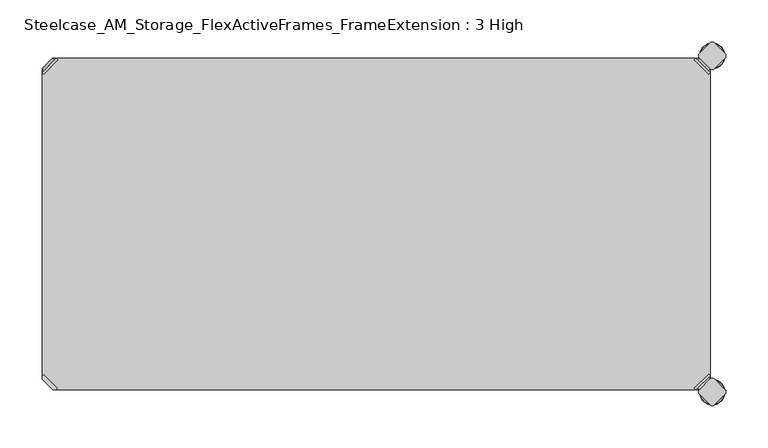
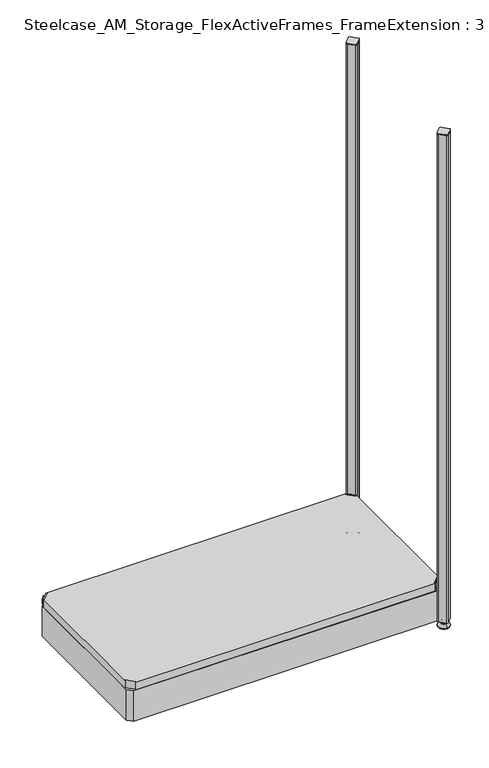
"""IFC4 building model written with IfcOpenShell, lengths in millimetres: furniture geometry, Steelcase_AM_Storage_FlexActiveFrames_FrameExtension : 3 High."""

from ifc_helpers import new_model, si_unit, point, frame, frame_2d, origin, place, context, project, spatial, polyline, circle_curve, ellipse_curve, trimmed, segment, composite_curve, outline, extrude, source, transform, mapped, element, save
from ifc_brep_helpers import plane_surface, cylinder_surface, revolved_surface, advanced_brep


def steelcase_am_storage_flexactiveframes_frameextension_3_high_37c5fc12(model_context):
    return source(origin(), model_context, "Body", "SolidModel", [
        advanced_brep(
        [(797.56, -380.2870969, 118.9736), (795.7639488, -378.4910456, 118.9736), (778.5410456, -395.7139488, 118.9736), (780.3370969, -397.51, 118.9736), (780.3370969, -397.51, 97.6376), (797.56, -380.2870969, 97.6376), (795.2347277, -382.6123691, 108.8136), (782.6623691, -395.1847277, 108.8136), (769.8079478, -352.5350447, 98.6536), (752.5850447, -369.7579478, 98.6536), (778.5410456, -395.7139488, 98.6536), (795.7639488, -378.4910456, 98.6536), (769.8079478, -352.5350447, 97.6376), (752.5850447, -369.7579478, 97.6376), (784.9772487, -397.4996073, 108.8136), (797.5496073, -384.9272487, 108.8136)],
        [
            (0, 1),
            (1, 2),
            (2, 3),
            (3, 0),
            (3, 4),
            (4, 5),
            (5, 0),
            (6, 7, circle_curve(frame((788.9485484, -388.8985484, 108.8136), z_axis=(-0.7071067811865446, 0.7071067811865505, 0.0), x_axis=(0.7071067811865505, 0.7071067811865446, 0.0)), 8.89)),
            (7, 6, circle_curve(frame((788.9485484, -388.8985484, 108.8136), z_axis=(-0.7071067811865446, 0.7071067811865505, 0.0), x_axis=(0.7071067811865505, 0.7071067811865446, 0.0)), 8.89)),
            (8, 9, circle_curve(frame((761.1964963, -361.1464963, 98.6536), z_axis=(0.0, 0.0, 1.0), x_axis=(-1.0, 0.0, 0.0)), 12.1784316)),
            (9, 10),
            (10, 11),
            (11, 8),
            (12, 5),
            (4, 13),
            (13, 12, circle_curve(frame((761.1964963, -361.1464963, 97.6376), z_axis=(0.0, 0.0, -1.0), x_axis=(-1.0, 0.0, 0.0)), 12.1784316)),
            (14, 15, circle_curve(frame((791.263428, -391.213428, 108.8136), z_axis=(0.7071067811865446, -0.7071067811865505, 0.0), x_axis=(0.7071067811865505, 0.7071067811865446, 0.0)), 8.89)),
            (15, 14, circle_curve(frame((791.263428, -391.213428, 108.8136), z_axis=(0.7071067811865446, -0.7071067811865505, 0.0), x_axis=(0.7071067811865505, 0.7071067811865446, 0.0)), 8.89)),
            (14, 7),
            (6, 15),
            (1, 11),
            (10, 2),
            (8, 12),
            (13, 9),
        ],
        [
            plane_surface(frame((819.7579872, -402.485084, 118.9736), z_axis=(0.0, 0.0, 1.0000000000000002), x_axis=(-0.7071067811865436, 0.7071067811865516, 0.0))),
            plane_surface(frame((780.3370969, -397.51, 118.9736), z_axis=(0.7071067811865447, -0.7071067811865503, 0.0), x_axis=(0.0, 0.0, -1.0))),
            plane_surface(frame((749.0180647, -361.1464963, 98.6536), z_axis=(0.0, 0.0, 1.0), x_axis=(0.0, -1.0, 0.0))),
            plane_surface(frame((749.0180647, -361.1464963, 97.6376), z_axis=(0.0, 0.0, -1.0), x_axis=(0.0, 1.0, 0.0))),
            plane_surface(frame((797.5496073, -384.9272487, 108.8136), z_axis=(0.7071067811865446, -0.7071067811865505, 0.0), x_axis=(0.0, 0.0, 1.0))),
            cylinder_surface(frame((788.9485484, -388.8985484, 108.8136), z_axis=(0.7071067811865446, -0.7071067811865505, 0.0), x_axis=(0.7071067811865505, 0.7071067811865446, 0.0)), 8.89),
            plane_surface(frame((795.7639488, -378.4910456, 118.9736), z_axis=(-0.7071067811865447, 0.7071067811865503, 0.0), x_axis=(0.0, 0.0, -1.0))),
            cylinder_surface(frame((761.1964963, -361.1464963, 97.6376), z_axis=(0.0, 0.0, 1.0), x_axis=(-1.0, 0.0, 0.0)), 12.1784316),
            plane_surface(frame((797.56, -380.2870969, 118.9736), z_axis=(0.7071067811865516, 0.7071067811865436, 0.0), x_axis=(0.0, 0.0, -1.0))),
            plane_surface(frame((778.5410456, -395.7139488, 118.9736), z_axis=(-0.7071067811865513, -0.7071067811865437, 0.0), x_axis=(0.0, 0.0, -1.0))),
        ],
        [
            (0, [[1, 2, 3, 4]]),
            (1, [[-4, 5, 6, 7], [8, 9]]),
            (2, [[10, 11, 12, 13]]),
            (3, [[14, -6, 15, 16]]),
            (4, [[17, 18]]),
            (5, [[-17, 19, -8, 20]]),
            (5, [[-18, -20, -9, -19]]),
            (6, [[-2, 21, -12, 22]]),
            (7, [[-10, 23, -16, 24]]),
            (8, [[-1, -7, -14, -23, -13, -21]]),
            (9, [[-3, -22, -11, -24, -15, -5]]),
        ],
    ),
        advanced_brep(
        [(797.56, -19.7629031, 118.9736), (780.3370969, -2.54, 118.9736), (778.5410456, -4.3360512, 118.9736), (795.7639488, -21.5589544, 118.9736), (797.56, -19.7629031, 97.6376), (780.3370969, -2.54, 97.6376), (795.2347277, -17.4376309, 108.8136), (782.6623691, -4.8652723, 108.8136), (769.8079478, -47.5149553, 98.6536), (795.7639488, -21.5589544, 98.6536), (778.5410456, -4.3360512, 98.6536), (752.5850447, -30.2920522, 98.6536), (769.8079478, -47.5149553, 97.6376), (752.5850447, -30.2920522, 97.6376), (784.9772487, -2.5503927, 108.8136), (797.5496073, -15.1227513, 108.8136)],
        [
            (0, 1),
            (1, 2),
            (2, 3),
            (3, 0),
            (0, 4),
            (4, 5),
            (5, 1),
            (6, 7, circle_curve(frame((788.9485484, -11.1514516, 108.8136), z_axis=(-0.7071067811865469, -0.7071067811865481, 0.0), x_axis=(0.7071067811865481, -0.7071067811865469, 0.0)), 8.89)),
            (7, 6, circle_curve(frame((788.9485484, -11.1514516, 108.8136), z_axis=(-0.7071067811865469, -0.7071067811865481, 0.0), x_axis=(0.7071067811865481, -0.7071067811865469, 0.0)), 8.89)),
            (8, 9),
            (9, 10),
            (10, 11),
            (11, 8, circle_curve(frame((761.1964963, -38.9035037, 98.6536), z_axis=(0.0, 0.0, 1.0), x_axis=(-1.0, 0.0, 0.0)), 12.1784316)),
            (12, 13, circle_curve(frame((761.1964963, -38.9035037, 97.6376), z_axis=(0.0, 0.0, -1.0), x_axis=(-1.0, 0.0, 0.0)), 12.1784316)),
            (13, 5),
            (4, 12),
            (14, 15, circle_curve(frame((791.263428, -8.836572, 108.8136), z_axis=(0.7071067811865469, 0.7071067811865481, 0.0), x_axis=(0.7071067811865481, -0.7071067811865469, 0.0)), 8.89)),
            (15, 14, circle_curve(frame((791.263428, -8.836572, 108.8136), z_axis=(0.7071067811865469, 0.7071067811865481, 0.0), x_axis=(0.7071067811865481, -0.7071067811865469, 0.0)), 8.89)),
            (15, 6),
            (7, 14),
            (2, 10),
            (9, 3),
            (11, 13),
            (12, 8),
        ],
        [
            plane_surface(frame((819.7579872, 2.435084, 118.9736), z_axis=(0.0, 0.0, 1.0000000000000002), x_axis=(-0.7071067811865459, -0.7071067811865492, 0.0))),
            plane_surface(frame((780.3370969, -2.54, 118.9736), z_axis=(0.707106781186547, 0.707106781186548, 0.0), x_axis=(0.0, 0.0, -1.0))),
            plane_surface(frame((749.0180647, -38.9035037, 98.6536), z_axis=(0.0, 0.0, 1.0), x_axis=(0.0, 1.0, 0.0))),
            plane_surface(frame((749.0180647, -38.9035037, 97.6376), z_axis=(0.0, 0.0, -1.0), x_axis=(0.0, -1.0, 0.0))),
            plane_surface(frame((797.5496073, -15.1227513, 108.8136), z_axis=(0.7071067811865469, 0.7071067811865481, 0.0), x_axis=(0.0, 0.0, 1.0))),
            cylinder_surface(frame((788.9485484, -11.1514516, 108.8136), z_axis=(0.7071067811865469, 0.7071067811865481, 0.0), x_axis=(0.7071067811865481, -0.7071067811865469, 0.0)), 8.89),
            plane_surface(frame((795.7639488, -21.5589544, 118.9736), z_axis=(-0.707106781186547, -0.707106781186548, 0.0), x_axis=(0.0, 0.0, -1.0))),
            cylinder_surface(frame((761.1964963, -38.9035037, 97.6376), z_axis=(0.0, 0.0, 1.0), x_axis=(-1.0, 0.0, 0.0)), 12.1784316),
            plane_surface(frame((797.56, -19.7629031, 118.9736), z_axis=(0.7071067811865492, -0.7071067811865459, 0.0), x_axis=(0.0, 0.0, -1.0))),
            plane_surface(frame((778.5410456, -4.3360512, 118.9736), z_axis=(-0.707106781186549, 0.707106781186546, 0.0), x_axis=(0.0, 0.0, -1.0))),
        ],
        [
            (0, [[1, 2, 3, 4]]),
            (1, [[5, 6, 7, -1], [8, 9]]),
            (2, [[10, 11, 12, 13]]),
            (3, [[14, 15, -6, 16]]),
            (4, [[17, 18]]),
            (5, [[19, -9, 20, -18]]),
            (5, [[-20, -8, -19, -17]]),
            (6, [[21, -11, 22, -3]]),
            (7, [[23, -14, 24, -13]]),
            (8, [[-22, -10, -24, -16, -5, -4]]),
            (9, [[-7, -15, -23, -12, -21, -2]]),
        ],
    ),
        advanced_brep(
        [(2.54, -19.7629031, 118.9736), (4.3360512, -21.5589544, 118.9736), (21.5589544, -4.3360512, 118.9736), (19.7629031, -2.54, 118.9736), (19.7629031, -2.54, 97.6376), (2.54, -19.7629031, 97.6376), (4.8652723, -17.4376309, 108.8136), (17.4376309, -4.8652723, 108.8136), (30.2920522, -47.5149553, 98.6536), (47.5149553, -30.2920522, 98.6536), (21.5589544, -4.3360512, 98.6536), (4.3360512, -21.5589544, 98.6536), (30.2920522, -47.5149553, 97.6376), (47.5149553, -30.2920522, 97.6376), (15.1227513, -2.5503927, 108.8136), (2.5503927, -15.1227513, 108.8136)],
        [
            (0, 1),
            (1, 2),
            (2, 3),
            (3, 0),
            (3, 4),
            (4, 5),
            (5, 0),
            (6, 7, circle_curve(frame((11.1514516, -11.1514516, 108.8136), z_axis=(0.7071067811865469, -0.7071067811865481, 0.0), x_axis=(-0.7071067811865481, -0.7071067811865469, 0.0)), 8.89)),
            (7, 6, circle_curve(frame((11.1514516, -11.1514516, 108.8136), z_axis=(0.7071067811865469, -0.7071067811865481, 0.0), x_axis=(-0.7071067811865481, -0.7071067811865469, 0.0)), 8.89)),
            (8, 9, circle_curve(frame((38.9035037, -38.9035037, 98.6536), z_axis=(0.0, 0.0, 1.0), x_axis=(1.0, 0.0, 0.0)), 12.1784316)),
            (9, 10),
            (10, 11),
            (11, 8),
            (12, 5),
            (4, 13),
            (13, 12, circle_curve(frame((38.9035037, -38.9035037, 97.6376), z_axis=(0.0, 0.0, -1.0), x_axis=(1.0, 0.0, 0.0)), 12.1784316)),
            (14, 15, circle_curve(frame((8.836572, -8.836572, 108.8136), z_axis=(-0.7071067811865469, 0.7071067811865481, 0.0), x_axis=(-0.7071067811865481, -0.7071067811865469, 0.0)), 8.89)),
            (15, 14, circle_curve(frame((8.836572, -8.836572, 108.8136), z_axis=(-0.7071067811865469, 0.7071067811865481, 0.0), x_axis=(-0.7071067811865481, -0.7071067811865469, 0.0)), 8.89)),
            (14, 7),
            (6, 15),
            (1, 11),
            (10, 2),
            (8, 12),
            (13, 9),
        ],
        [
            plane_surface(frame((-19.6579872, 2.435084, 118.9736), z_axis=(0.0, 0.0, 1.0000000000000002), x_axis=(0.7071067811865459, -0.7071067811865492, 0.0))),
            plane_surface(frame((19.7629031, -2.54, 118.9736), z_axis=(-0.707106781186547, 0.707106781186548, 0.0), x_axis=(0.0, 0.0, -1.0))),
            plane_surface(frame((51.0819353, -38.9035037, 98.6536), z_axis=(0.0, 0.0, 1.0), x_axis=(0.0, 1.0, 0.0))),
            plane_surface(frame((51.0819353, -38.9035037, 97.6376), z_axis=(0.0, 0.0, -1.0), x_axis=(0.0, -1.0, 0.0))),
            plane_surface(frame((2.5503927, -15.1227513, 108.8136), z_axis=(-0.7071067811865469, 0.7071067811865481, 0.0), x_axis=(0.0, 0.0, 1.0))),
            cylinder_surface(frame((11.1514516, -11.1514516, 108.8136), z_axis=(-0.7071067811865469, 0.7071067811865481, 0.0), x_axis=(-0.7071067811865481, -0.7071067811865469, 0.0)), 8.89),
            plane_surface(frame((4.3360512, -21.5589544, 118.9736), z_axis=(0.707106781186547, -0.707106781186548, 0.0), x_axis=(0.0, 0.0, -1.0))),
            cylinder_surface(frame((38.9035037, -38.9035037, 97.6376), z_axis=(0.0, 0.0, 1.0), x_axis=(1.0, 0.0, 0.0)), 12.1784316),
            plane_surface(frame((2.54, -19.7629031, 118.9736), z_axis=(-0.7071067811865492, -0.7071067811865459, 0.0), x_axis=(0.0, 0.0, -1.0))),
            plane_surface(frame((21.5589544, -4.3360512, 118.9736), z_axis=(0.707106781186549, 0.707106781186546, 0.0), x_axis=(0.0, 0.0, -1.0))),
        ],
        [
            (0, [[1, 2, 3, 4]]),
            (1, [[-4, 5, 6, 7], [8, 9]]),
            (2, [[10, 11, 12, 13]]),
            (3, [[14, -6, 15, 16]]),
            (4, [[17, 18]]),
            (5, [[-17, 19, -8, 20]]),
            (5, [[-18, -20, -9, -19]]),
            (6, [[-2, 21, -12, 22]]),
            (7, [[-10, 23, -16, 24]]),
            (8, [[-1, -7, -14, -23, -13, -21]]),
            (9, [[-3, -22, -11, -24, -15, -5]]),
        ],
    ),
        extrude(outline(polyline([(19.7629031, -2.54), (780.3370969, -2.54), (778.5410456, -4.3360512), (795.7639488, -21.5589544), (797.56, -19.7629031), (797.56, -380.2870969), (795.7639488, -378.4910456), (778.5410456, -395.7139488), (780.3370969, -397.51), (19.7629031, -397.51), (21.5589544, -395.7139488), (4.3360512, -378.4910456), (2.54, -380.2870969), (2.54, -19.7629031), (4.3360512, -21.5589544), (21.5589544, -4.3360512), (19.7629031, -2.54)])), frame((0.0, 0.0, 98.6536), z_axis=(0.0, 0.0, 1.0), x_axis=(1.0, 0.0, 0.0)), (0.0, 0.0, 1.0), 20.32),
        extrude(outline(composite_curve([segment(trimmed(circle_curve(frame_2d((800.1, -13.1875415)), 3.175), [point((802.345064, -15.4326055))], [point((797.854936, -15.4326055))], False, "CARTESIAN"), True, "CONTINUOUS"), segment(polyline([(797.854936, -15.4326055), (784.6673945, -2.245064)]), True, "CONTINUOUS"), segment(trimmed(circle_curve(frame_2d((786.9124585, 0.0)), 3.175), [point((784.6673945, -2.245064))], [point((784.6673945, 2.245064))], False, "CARTESIAN"), True, "CONTINUOUS"), segment(polyline([(784.6673945, 2.245064), (797.854936, 15.4326055)]), True, "CONTINUOUS"), segment(trimmed(circle_curve(frame_2d((800.1, 13.1875415)), 3.175), [point((797.854936, 15.4326055))], [point((802.345064, 15.4326055))], False, "CARTESIAN"), True, "CONTINUOUS"), segment(polyline([(802.345064, 15.4326055), (815.5326055, 2.245064)]), True, "CONTINUOUS"), segment(trimmed(circle_curve(frame_2d((813.2875415, 0.0)), 3.175), [point((815.5326055, 2.245064))], [point((815.5326055, -2.245064))], False, "CARTESIAN"), True, "CONTINUOUS"), segment(polyline([(815.5326055, -2.245064), (802.345064, -15.4326055)]), True, "CONTINUOUS")], self_intersect=False)), frame((0.0, 0.0, 1324.61), z_axis=(0.0, 0.0, 1.0), x_axis=(1.0, 0.0, 0.0)), (0.0, 0.0, 1.0), 2.032),
        extrude(outline(composite_curve([segment(polyline([(802.345064, -384.6173945), (815.5326055, -397.804936)]), True, "CONTINUOUS"), segment(trimmed(circle_curve(frame_2d((813.2875415, -400.05)), 3.175), [point((815.5326055, -397.804936))], [point((815.5326055, -402.295064))], False, "CARTESIAN"), True, "CONTINUOUS"), segment(polyline([(815.5326055, -402.295064), (802.345064, -415.4826055)]), True, "CONTINUOUS"), segment(trimmed(circle_curve(frame_2d((800.1, -413.2375415)), 3.175), [point((802.345064, -415.4826055))], [point((797.854936, -415.4826055))], False, "CARTESIAN"), True, "CONTINUOUS"), segment(polyline([(797.854936, -415.4826055), (784.6673945, -402.295064)]), True, "CONTINUOUS"), segment(trimmed(circle_curve(frame_2d((786.9124585, -400.05)), 3.175), [point((784.6673945, -402.295064))], [point((784.6673945, -397.804936))], False, "CARTESIAN"), True, "CONTINUOUS"), segment(polyline([(784.6673945, -397.804936), (797.854936, -384.6173945)]), True, "CONTINUOUS"), segment(trimmed(circle_curve(frame_2d((800.1, -386.8624585)), 3.175), [point((797.854936, -384.6173945))], [point((802.345064, -384.6173945))], False, "CARTESIAN"), True, "CONTINUOUS")], self_intersect=False)), frame((0.0, 0.0, 1324.61), z_axis=(0.0, 0.0, 1.0), x_axis=(1.0, 0.0, 0.0)), (0.0, 0.0, 1.0), 2.032),
        extrude(outline(polyline([(2.54, -384.9123305), (2.54, -15.1376695), (15.1376695, -2.54), (784.9623305, -2.54), (797.56, -15.1376695), (797.56, -384.9123305), (784.9623305, -397.51), (15.1376695, -397.51), (2.54, -384.9123305)]), holes=[polyline([(12.7, -15.748), (12.7, -387.35), (787.4, -387.35), (787.4, -15.748), (12.7, -15.748)])]), frame((0.0, 0.0, 15.9766), z_axis=(0.0, 0.0, 1.0), x_axis=(1.0, 0.0, 0.0)), (0.0, 0.0, 1.0), 81.28),
        advanced_brep(
        [(800.1, 3.999659, 15.9766), (800.1, -3.999659, 15.9766), (800.1, 0.0, 15.9766), (800.1, 3.999659, 12.6000054), (800.1, -3.999659, 12.6000054), (800.1, 5.8601455, 12.6000054), (800.1, -5.8601455, 12.6000054), (800.1, 6.4951462, 11.9650074), (800.1, -6.4951462, 11.9650074), (800.1, 6.4951462, 9.0000124), (800.1, -6.4951462, 9.0000124), (800.1, 8.7421976, 9.0000124), (800.1, -8.7421976, 9.0000124), (800.1, 14.7060077, 2.3275608), (800.1, -14.7060077, 2.3275608), (800.1, 13.664601, 0.0), (800.1, -13.664601, 0.0), (800.1, 0.0, 0.0)],
        [
            (0, 1, circle_curve(frame((800.1, 0.0, 15.9766), z_axis=(0.0, 0.0, 1.0), x_axis=(0.0, -1.0, 0.0)), 3.999659)),
            (1, 2),
            (2, 0),
            (1, 0, circle_curve(frame((800.1, 0.0, 15.9766), z_axis=(0.0, 0.0, 1.0), x_axis=(0.0, -1.0, 0.0)), 3.999659)),
            (3, 4, circle_curve(frame((800.1, 0.0, 12.6000054), z_axis=(0.0, 0.0, 1.0), x_axis=(0.0, -1.0, 0.0)), 3.999659)),
            (4, 1),
            (0, 3),
            (4, 3, circle_curve(frame((800.1, 0.0, 12.6000054), z_axis=(0.0, 0.0, 1.0), x_axis=(0.0, -1.0, 0.0)), 3.999659)),
            (5, 6, circle_curve(frame((800.1, 0.0, 12.6000054), z_axis=(0.0, 0.0, 1.0), x_axis=(0.0, -1.0, 0.0)), 5.8601455)),
            (6, 4),
            (3, 5),
            (6, 5, circle_curve(frame((800.1, 0.0, 12.6000054), z_axis=(0.0, 0.0, 1.0), x_axis=(0.0, -1.0, 0.0)), 5.8601455)),
            (7, 8, circle_curve(frame((800.1, 0.0, 11.9650074), z_axis=(0.0, 0.0, 1.0), x_axis=(0.0, -1.0, 0.0)), 6.4951462)),
            (8, 6, circle_curve(frame((800.1, -5.8601462, 11.9650074), z_axis=(-1.0, 0.0, 0.0), x_axis=(0.0, -1.0, 0.0)), 0.635)),
            (5, 7, circle_curve(frame((800.1, 5.8601462, 11.9650074), z_axis=(-1.0, 0.0, 0.0), x_axis=(0.0, 1.0, 0.0)), 0.635)),
            (8, 7, circle_curve(frame((800.1, 0.0, 11.9650074), z_axis=(0.0, 0.0, 1.0), x_axis=(0.0, -1.0, 0.0)), 6.4951462)),
            (9, 10, circle_curve(frame((800.1, 0.0, 9.0000124), z_axis=(0.0, 0.0, 1.0), x_axis=(0.0, -1.0, 0.0)), 6.4951462)),
            (10, 8),
            (7, 9),
            (10, 9, circle_curve(frame((800.1, 0.0, 9.0000124), z_axis=(0.0, 0.0, 1.0), x_axis=(0.0, -1.0, 0.0)), 6.4951462)),
            (11, 12, circle_curve(frame((800.1, 0.0, 9.0000124), z_axis=(0.0, 0.0, 1.0), x_axis=(0.0, -1.0, 0.0)), 8.7421976)),
            (12, 10),
            (9, 11),
            (12, 11, circle_curve(frame((800.1, 0.0, 9.0000124), z_axis=(0.0, 0.0, 1.0), x_axis=(0.0, -1.0, 0.0)), 8.7421976)),
            (13, 14, circle_curve(frame((800.1, 0.0, 2.3275608), z_axis=(0.0, 0.0, 1.0), x_axis=(0.0, -1.0, 0.0)), 14.7060077)),
            (14, 12),
            (11, 13),
            (14, 13, circle_curve(frame((800.1, 0.0, 2.3275608), z_axis=(0.0, 0.0, 1.0), x_axis=(0.0, -1.0, 0.0)), 14.7060077)),
            (15, 16, circle_curve(frame((800.1, 0.0, 0.0), z_axis=(0.0, 0.0, 1.0), x_axis=(0.0, -1.0, 0.0)), 13.664601)),
            (16, 14, circle_curve(frame((800.1, -13.664601, 1.3967556), z_axis=(-1.0, 0.0, 0.0), x_axis=(0.0, -1.0, 0.0)), 1.3967556)),
            (13, 15, circle_curve(frame((800.1, 13.664601, 1.3967556), z_axis=(-1.0, 0.0, 0.0), x_axis=(0.0, 1.0, 0.0)), 1.3967556)),
            (16, 15, circle_curve(frame((800.1, 0.0, 0.0), z_axis=(0.0, 0.0, 1.0), x_axis=(0.0, -1.0, 0.0)), 13.664601)),
            (17, 16),
            (15, 17),
        ],
        [
            plane_surface(frame((800.1, 0.0, 15.9766), z_axis=(0.0, 0.0, 1.0), x_axis=(0.0, -1.0, 0.0))),
            cylinder_surface(frame((800.1, 0.0, -4.132372), z_axis=(0.0, 0.0, -1.0), x_axis=(0.0, -1.0, 0.0)), 3.999659),
            plane_surface(frame((800.1, 0.0, 12.6000054), z_axis=(0.0, 0.0, 1.0), x_axis=(0.0, -1.0, 0.0))),
            revolved_surface(trimmed(ellipse_curve(frame((800.1, -5.8601462, 11.9650074), z_axis=(1.0, 0.0, 0.0), x_axis=(0.0, -1.0, 0.0)), 0.635, 0.635), [point((800.1, -5.8601455, 12.6000074))], [point((800.1, -6.4951462, 11.9650074))], True, "CARTESIAN"), (800.1, 0.0, -4.132372), (0.0, 0.0, -1.0)),
            cylinder_surface(frame((800.1, 0.0, -4.132372), z_axis=(0.0, 0.0, -1.0), x_axis=(0.0, -1.0, 0.0)), 6.4951462),
            plane_surface(frame((800.1, 0.0, 9.0000124), z_axis=(0.0, 0.0, 1.0), x_axis=(0.0, -1.0, 0.0))),
            revolved_surface(polyline([(800.1, -8.7421976, 9.0000124), (800.1, -14.7060077, 2.3275608)]), (800.1, 0.0, -4.132372), (0.0, 0.0, -1.0)),
            revolved_surface(trimmed(ellipse_curve(frame((800.1, -13.664601, 1.3967556), z_axis=(1.0, 0.0, 0.0), x_axis=(0.0, -1.0, 0.0)), 1.3967556, 1.3967556), [point((800.1, -14.7060077, 2.3275608))], [point((800.1, -13.664601, 0.0))], True, "CARTESIAN"), (800.1, 0.0, -4.132372), (0.0, 0.0, -1.0)),
            plane_surface(frame((800.1, 0.0, 0.0), z_axis=(0.0, 0.0, -1.0), x_axis=(0.0, -1.0, 0.0))),
        ],
        [
            (0, [[1, 2, 3]]),
            (0, [[4, -3, -2]]),
            (1, [[5, 6, -1, 7]]),
            (1, [[8, -7, -4, -6]]),
            (2, [[9, 10, -5, 11]]),
            (2, [[12, -11, -8, -10]]),
            (3, [[13, 14, -9, 15]]),
            (3, [[16, -15, -12, -14]]),
            (4, [[17, 18, -13, 19]]),
            (4, [[20, -19, -16, -18]]),
            (5, [[21, 22, -17, 23]]),
            (5, [[24, -23, -20, -22]]),
            (6, [[25, 26, -21, 27]]),
            (6, [[28, -27, -24, -26]]),
            (7, [[29, 30, -25, 31]]),
            (7, [[32, -31, -28, -30]]),
            (8, [[33, -29, 34]]),
            (8, [[-34, -32, -33]]),
        ],
    ),
        advanced_brep(
        [(800.1, -400.05, 15.9766), (800.1, -396.050341, 15.9766), (800.1, -404.049659, 15.9766), (800.1, -396.050341, 12.6000054), (800.1, -404.049659, 12.6000054), (800.1, -394.1898545, 12.6000074), (800.1, -405.9101455, 12.6000074), (800.1, -393.5548538, 11.9650074), (800.1, -406.5451462, 11.9650074), (800.1, -393.5548538, 9.0000124), (800.1, -406.5451462, 9.0000124), (800.1, -391.3078024, 9.0000124), (800.1, -408.7921976, 9.0000124), (800.1, -385.3439923, 2.3275608), (800.1, -414.7560077, 2.3275608), (800.1, -386.385399, 0.0), (800.1, -413.714601, 0.0), (800.1, -400.05, 0.0)],
        [
            (0, 1),
            (1, 2, circle_curve(frame((800.1, -400.05, 15.9766), z_axis=(0.0, 0.0, 1.0), x_axis=(0.0, 1.0, 0.0)), 3.999659)),
            (2, 0),
            (2, 1, circle_curve(frame((800.1, -400.05, 15.9766), z_axis=(0.0, 0.0, 1.0), x_axis=(0.0, 1.0, 0.0)), 3.999659)),
            (1, 3),
            (3, 4, circle_curve(frame((800.1, -400.05, 12.6000054), z_axis=(0.0, 0.0, 1.0), x_axis=(0.0, 1.0, 0.0)), 3.999659)),
            (4, 2),
            (4, 3, circle_curve(frame((800.1, -400.05, 12.6000054), z_axis=(0.0, 0.0, 1.0), x_axis=(0.0, 1.0, 0.0)), 3.999659)),
            (3, 5),
            (5, 6, circle_curve(frame((800.1, -400.05, 12.6000074), z_axis=(0.0, 0.0, 1.0), x_axis=(0.0, 1.0, 0.0)), 5.8601455)),
            (6, 4),
            (6, 5, circle_curve(frame((800.1, -400.05, 12.6000074), z_axis=(0.0, 0.0, 1.0), x_axis=(0.0, 1.0, 0.0)), 5.8601455)),
            (5, 7, circle_curve(frame((800.1, -394.1898538, 11.9650074), z_axis=(-1.0, 0.0, 0.0), x_axis=(0.0, 1.0, 0.0)), 0.635)),
            (7, 8, circle_curve(frame((800.1, -400.05, 11.9650074), z_axis=(0.0, 0.0, 1.0), x_axis=(0.0, 1.0, 0.0)), 6.4951462)),
            (8, 6, circle_curve(frame((800.1, -405.9101462, 11.9650074), z_axis=(-1.0, 0.0, 0.0), x_axis=(0.0, -1.0, 0.0)), 0.635)),
            (8, 7, circle_curve(frame((800.1, -400.05, 11.9650074), z_axis=(0.0, 0.0, 1.0), x_axis=(0.0, 1.0, 0.0)), 6.4951462)),
            (7, 9),
            (9, 10, circle_curve(frame((800.1, -400.05, 9.0000124), z_axis=(0.0, 0.0, 1.0), x_axis=(0.0, 1.0, 0.0)), 6.4951462)),
            (10, 8),
            (10, 9, circle_curve(frame((800.1, -400.05, 9.0000124), z_axis=(0.0, 0.0, 1.0), x_axis=(0.0, 1.0, 0.0)), 6.4951462)),
            (9, 11),
            (11, 12, circle_curve(frame((800.1, -400.05, 9.0000124), z_axis=(0.0, 0.0, 1.0), x_axis=(0.0, 1.0, 0.0)), 8.7421976)),
            (12, 10),
            (12, 11, circle_curve(frame((800.1, -400.05, 9.0000124), z_axis=(0.0, 0.0, 1.0), x_axis=(0.0, 1.0, 0.0)), 8.7421976)),
            (11, 13),
            (13, 14, circle_curve(frame((800.1, -400.05, 2.3275608), z_axis=(0.0, 0.0, 1.0), x_axis=(0.0, 1.0, 0.0)), 14.7060077)),
            (14, 12),
            (14, 13, circle_curve(frame((800.1, -400.05, 2.3275608), z_axis=(0.0, 0.0, 1.0), x_axis=(0.0, 1.0, 0.0)), 14.7060077)),
            (13, 15, circle_curve(frame((800.1, -386.385399, 1.3967556), z_axis=(-1.0, 0.0, 0.0), x_axis=(0.0, 1.0, 0.0)), 1.3967556)),
            (15, 16, circle_curve(frame((800.1, -400.05, 0.0), z_axis=(0.0, 0.0, 1.0), x_axis=(0.0, 1.0, 0.0)), 13.664601)),
            (16, 14, circle_curve(frame((800.1, -413.714601, 1.3967556), z_axis=(-1.0, 0.0, 0.0), x_axis=(0.0, -1.0, 0.0)), 1.3967556)),
            (16, 15, circle_curve(frame((800.1, -400.05, 0.0), z_axis=(0.0, 0.0, 1.0), x_axis=(0.0, 1.0, 0.0)), 13.664601)),
            (15, 17),
            (17, 16),
        ],
        [
            plane_surface(frame((800.1, -400.05, 15.9766), z_axis=(0.0, 0.0, 1.0), x_axis=(0.0, 1.0, 0.0))),
            cylinder_surface(frame((800.1, -400.05, -4.132372), z_axis=(0.0, 0.0, 1.0), x_axis=(0.0, 1.0, 0.0)), 3.999659),
            plane_surface(frame((800.1, -400.05, 12.6000074), z_axis=(0.0, 0.0, 1.0), x_axis=(0.0, 1.0, 0.0))),
            revolved_surface(trimmed(ellipse_curve(frame((800.1, -394.1898538, 11.9650074), z_axis=(1.0, 0.0, 0.0), x_axis=(0.0, 1.0, 0.0)), 0.635, 0.635), [point((800.1, -393.5548538, 11.9650074))], [point((800.1, -394.1898545, 12.6000074))], True, "CARTESIAN"), (800.1, -400.05, -4.132372), (0.0, 0.0, 1.0)),
            cylinder_surface(frame((800.1, -400.05, -4.132372), z_axis=(0.0, 0.0, 1.0), x_axis=(0.0, 1.0, 0.0)), 6.4951462),
            plane_surface(frame((800.1, -400.05, 9.0000124), z_axis=(0.0, 0.0, 1.0), x_axis=(0.0, 1.0, 0.0))),
            revolved_surface(polyline([(800.1, -385.3439923, 2.3275608), (800.1, -391.3078024, 9.0000124)]), (800.1, -400.05, -4.132372), (0.0, 0.0, 1.0)),
            revolved_surface(trimmed(ellipse_curve(frame((800.1, -386.385399, 1.3967556), z_axis=(1.0, 0.0, 0.0), x_axis=(0.0, 1.0, 0.0)), 1.3967556, 1.3967556), [point((800.1, -386.385399, 0.0))], [point((800.1, -385.3439923, 2.3275608))], True, "CARTESIAN"), (800.1, -400.05, -4.132372), (0.0, 0.0, 1.0)),
            plane_surface(frame((800.1, -400.05, 0.0), z_axis=(0.0, 0.0, -1.0), x_axis=(0.0, 1.0, 0.0))),
        ],
        [
            (0, [[1, 2, 3]]),
            (0, [[-3, 4, -1]]),
            (1, [[-2, 5, 6, 7]]),
            (1, [[-4, -7, 8, -5]]),
            (2, [[-6, 9, 10, 11]]),
            (2, [[-8, -11, 12, -9]]),
            (3, [[-10, 13, 14, 15]]),
            (3, [[-12, -15, 16, -13]]),
            (4, [[-14, 17, 18, 19]]),
            (4, [[-16, -19, 20, -17]]),
            (5, [[-18, 21, 22, 23]]),
            (5, [[-20, -23, 24, -21]]),
            (6, [[-22, 25, 26, 27]]),
            (6, [[-24, -27, 28, -25]]),
            (7, [[-26, 29, 30, 31]]),
            (7, [[-28, -31, 32, -29]]),
            (8, [[-30, 33, 34]]),
            (8, [[-32, -34, -33]]),
        ],
    ),
        extrude(outline(composite_curve([segment(trimmed(circle_curve(frame_2d((800.1, -13.1875415)), 3.175), [point((802.345064, -15.4326055))], [point((797.854936, -15.4326055))], False, "CARTESIAN"), True, "CONTINUOUS"), segment(polyline([(797.854936, -15.4326055), (784.6673945, -2.245064)]), True, "CONTINUOUS"), segment(trimmed(circle_curve(frame_2d((786.9124585, 0.0)), 3.175), [point((784.6673945, -2.245064))], [point((784.6673945, 2.245064))], False, "CARTESIAN"), True, "CONTINUOUS"), segment(polyline([(784.6673945, 2.245064), (797.854936, 15.4326055)]), True, "CONTINUOUS"), segment(trimmed(circle_curve(frame_2d((800.1, 13.1875415)), 3.175), [point((797.854936, 15.4326055))], [point((802.345064, 15.4326055))], False, "CARTESIAN"), True, "CONTINUOUS"), segment(polyline([(802.345064, 15.4326055), (815.5326055, 2.245064)]), True, "CONTINUOUS"), segment(trimmed(circle_curve(frame_2d((813.2875415, 0.0)), 3.175), [point((815.5326055, 2.245064))], [point((815.5326055, -2.245064))], False, "CARTESIAN"), True, "CONTINUOUS"), segment(polyline([(815.5326055, -2.245064), (802.345064, -15.4326055)]), True, "CONTINUOUS")], self_intersect=False)), frame((0.0, 0.0, 15.9766), z_axis=(0.0, 0.0, 1.0), x_axis=(1.0, 0.0, 0.0)), (0.0, 0.0, 1.0), 1308.6334),
        extrude(outline(composite_curve([segment(polyline([(802.345064, -384.6173945), (815.5326055, -397.804936)]), True, "CONTINUOUS"), segment(trimmed(circle_curve(frame_2d((813.2875415, -400.05)), 3.175), [point((815.5326055, -397.804936))], [point((815.5326055, -402.295064))], False, "CARTESIAN"), True, "CONTINUOUS"), segment(polyline([(815.5326055, -402.295064), (802.345064, -415.4826055)]), True, "CONTINUOUS"), segment(trimmed(circle_curve(frame_2d((800.1, -413.2375415)), 3.175), [point((802.345064, -415.4826055))], [point((797.854936, -415.4826055))], False, "CARTESIAN"), True, "CONTINUOUS"), segment(polyline([(797.854936, -415.4826055), (784.6673945, -402.295064)]), True, "CONTINUOUS"), segment(trimmed(circle_curve(frame_2d((786.9124585, -400.05)), 3.175), [point((784.6673945, -402.295064))], [point((784.6673945, -397.804936))], False, "CARTESIAN"), True, "CONTINUOUS"), segment(polyline([(784.6673945, -397.804936), (797.854936, -384.6173945)]), True, "CONTINUOUS"), segment(trimmed(circle_curve(frame_2d((800.1, -386.8624585)), 3.175), [point((797.854936, -384.6173945))], [point((802.345064, -384.6173945))], False, "CARTESIAN"), True, "CONTINUOUS")], self_intersect=False)), frame((0.0, 0.0, 15.9766), z_axis=(0.0, 0.0, 1.0), x_axis=(1.0, 0.0, 0.0)), (0.0, 0.0, 1.0), 1308.6334),
    ])


if __name__ == "__main__":
    model = new_model("IFC4")
    model_context = context("Model", 3, world=origin())
    ifc_project = project(units=[si_unit("LENGTHUNIT", "METRE", prefix="MILLI")], contexts=[model_context])
    site = spatial("IfcSite", under=ifc_project)
    building = spatial("IfcBuilding", under=site)
    placement = place(None, origin())
    steelcase_am_storage_flexactiveframes_frameextension_3_high_shape = steelcase_am_storage_flexactiveframes_frameextension_3_high_37c5fc12(model_context)
    element("IfcFurniture", 1, ObjectType="Steelcase_AM_Storage_FlexActiveFrames_FrameExtension : 3 High", at=placement, inside=building, context=model_context, shape_type="MappedRepresentation", body=[
        mapped(steelcase_am_storage_flexactiveframes_frameextension_3_high_shape, transform((0.0, 0.0, 0.0), x_axis=(1.0, 0.0, 0.0), y_axis=(0.0, 1.0, 0.0), z_axis=(0.0, 0.0, 1.0))),
    ])
    save(model, "model.ifc")
